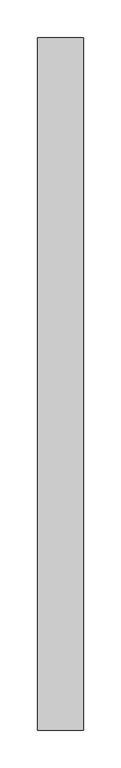
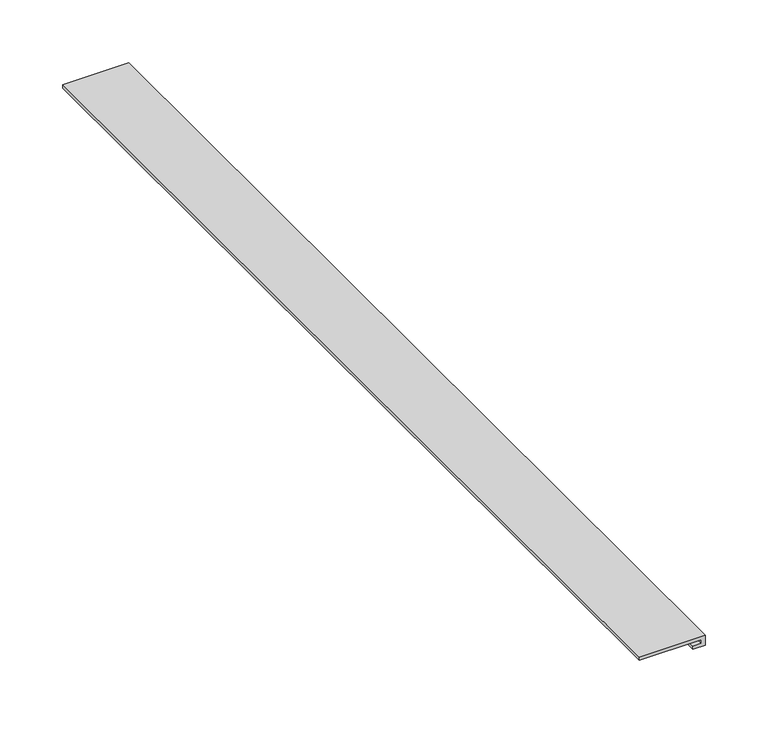
"""IFC4 building model written with IfcOpenShell, lengths in millimetres: proxy geometry."""

from ifc_helpers import new_model, si_unit, frame, origin, place, context, project, spatial, polyline, outline, extrude, source, transform, mapped, element, save


def generic_models_78e573a2(model_context):
    return source(origin(), model_context, "Body", "SweptSolid", [
        extrude(outline(polyline([(2964.3008002, 38242.9481882), (2973.8667168, 38242.9481882), (2973.8667168, 38182.4851014), (2970.6422505, 38182.4851014), (2970.6422505, 38239.6351014), (2967.1948924, 38239.6351014), (2967.1948924, 38231.9148767), (2964.3008002, 38231.9148767), (2964.3008002, 38242.9481882)])), frame((0.0, -19576.8264268, 0.0), z_axis=(0.0, 1.0, 0.0), x_axis=(0.0, 0.0, 1.0)), (0.0, 0.0, 1.0), 914.4),
    ])


if __name__ == "__main__":
    model = new_model("IFC4")
    model_context = context("Model", 3, world=origin())
    ifc_project = project(units=[si_unit("LENGTHUNIT", "METRE", prefix="MILLI")], contexts=[model_context])
    site = spatial("IfcSite", under=ifc_project)
    building = spatial("IfcBuilding", under=site)
    placement = place(None, origin())
    generic_models_shape = generic_models_78e573a2(model_context)
    element("IfcBuildingElementProxy", 1, Name="Generic Models", at=placement, inside=building, context=model_context, shape_type="MappedRepresentation", body=[
        mapped(generic_models_shape, transform((0.0, 0.0, 0.0), x_axis=(1.0, 0.0, 0.0), y_axis=(0.0, 1.0, 0.0), z_axis=(0.0, 0.0, 1.0))),
    ])
    save(model, "model.ifc")
